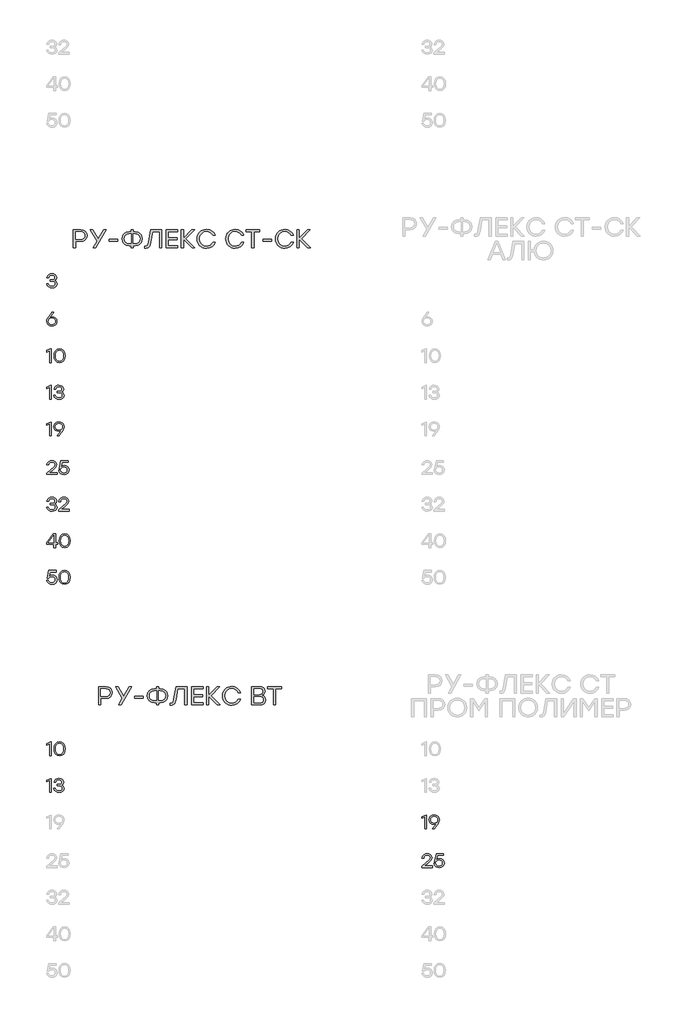
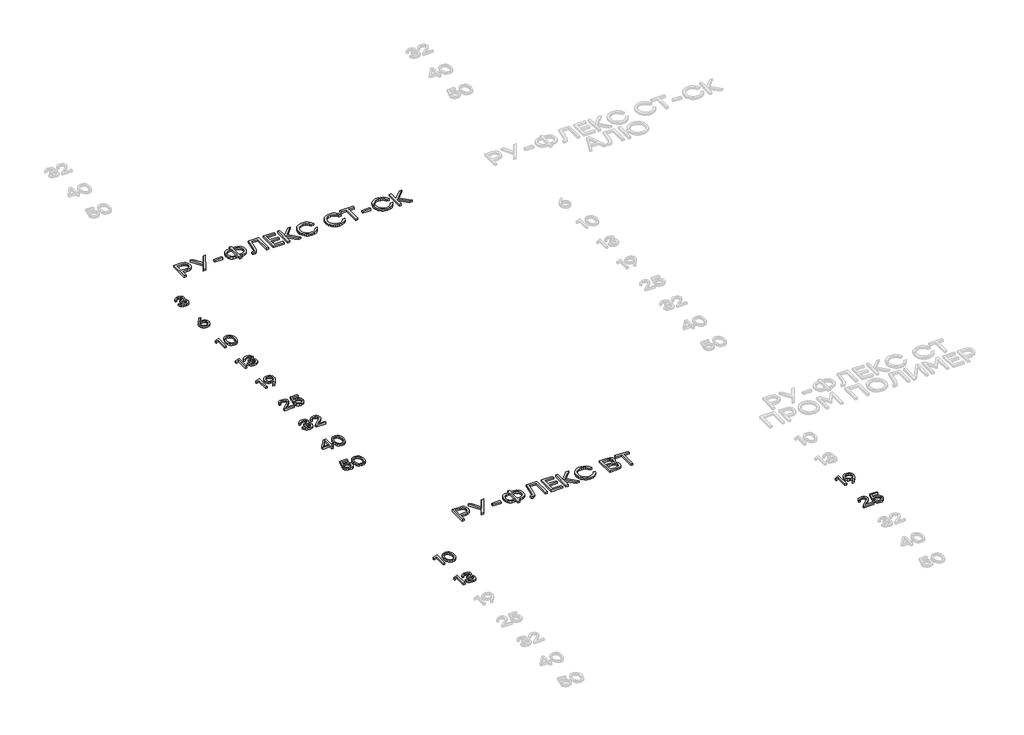
# One storey, part 20 of 41: 15 proxies.
"""IFC4 building model written with IfcOpenShell, lengths in millimetres."""

from ifc_helpers import new_model, si_unit, origin, origin_with_axes, place, context, project, spatial, polyline, outline, extrude, element, save

model = new_model("IFC4")

# Units and contexts
model_context = context("Model", 3, world=origin())
ifc_project = project(units=[si_unit("LENGTHUNIT", "METRE", prefix="MILLI")], contexts=[model_context])

# Site, building, storey
site = spatial("IfcSite", under=ifc_project)
building = spatial("IfcBuilding", under=site)
storey = spatial("IfcBuildingStorey", under=building, Elevation=0.0)

# Proxies
placement = place(None, origin())
element("IfcBuildingElementProxy", 1, Name="Generic Models", at=placement, inside=storey, context=model_context, shape_type="SweptSolid", body=[
    extrude(outline(polyline([(21490.5956427, -33646.0493279), (21510.2621824, -33649.3976823), (21526.8224173, -33659.4427456), (21538.0777292, -33675.2768314), (21541.8294998, -33695.9922531), (21537.8104659, -33717.5094645), (21525.7533643, -33734.5386707), (21507.6954468, -33745.6275734), (21485.6739651, -33749.3238744), (21463.8340208, -33745.6578297), (21445.8366157, -33734.6596956), (21433.7795141, -33717.4993791), (21429.7604802, -33695.3467872), (21432.3826855, -33677.5006631), (21440.2493013, -33659.5435997), (21482.0432194, -33599.9791981), (21484.3830333, -33596.9939183), (21505.1993091, -33596.9939183), (21462.5178754, -33653.9966269), (21476.5164175, -33648.0361526), (21490.5956427, -33646.0493279)]), holes=[polyline([(21485.6739651, -33732.4207357), (21500.7819017, -33729.8993845), (21513.1062665, -33722.3353308), (21521.3057008, -33710.7068589), (21524.0388455, -33695.9922531), (21521.3057008, -33681.1767932), (21513.1062665, -33669.7298586), (21500.8323287, -33662.4078547), (21485.8756732, -33659.9671867), (21470.5458577, -33662.4330682), (21458.3626886, -33669.8307127), (21450.4053041, -33681.3532878), (21447.7528426, -33696.1939612), (21450.4557311, -33711.0346345), (21458.5643967, -33722.5572097), (21470.7475658, -33729.9548542), (21485.6739651, -33732.4207357)])]), origin_with_axes(), (0.0, 0.0, 1.0), 20.0),
])
element("IfcBuildingElementProxy", 2, Name="Generic Models", at=placement, inside=storey, context=model_context, shape_type="SweptSolid", body=[
    extrude(outline(polyline([(21471.7561063, -33996.9939183), (21479.9051135, -33996.9939183), (21479.9051135, -34146.9840604), (21462.1144592, -34146.9840604), (21462.1144592, -34017.7698524), (21427.6223744, -34031.6877112), (21427.6223744, -34014.1391067), (21471.7561063, -33996.9939183)])), origin_with_axes(), (0.0, 0.0, 1.0), 20.0),
    extrude(outline(polyline([(21570.6334163, -33994.6137627), (21596.1394053, -33999.676636), (21615.2109061, -34014.8652558), (21627.1015985, -34039.266893), (21631.0651626, -34071.9688185), (21627.1015985, -34104.670744), (21615.2109061, -34129.0723813), (21596.1394053, -34144.2610011), (21570.6334163, -34149.3238744), (21545.2787083, -34144.2912573), (21526.1769513, -34129.1934061), (21514.1954903, -34104.8270678), (21510.2016699, -34071.9889893), (21514.1954903, -34039.1458682), (21526.1769513, -34014.7644018), (21545.2787083, -33999.6514225), (21570.6334163, -33994.6137627)]), holes=[polyline([(21539.4493442, -34117.7363861), (21552.8730182, -34128.7496483), (21570.6334163, -34132.4207357), (21588.3938144, -34128.7496483), (21601.8174883, -34117.7363861), (21610.2589722, -34098.9573621), (21613.0728002, -34071.9889893), (21610.2589722, -34045.0206166), (21601.8174883, -34026.2415926), (21588.3938144, -34015.2283304), (21570.6334163, -34011.557243), (21552.8730182, -34015.2283304), (21539.4493442, -34026.2415926), (21531.0078603, -34045.0206166), (21528.1940323, -34071.9889893), (21531.0078603, -34098.9573621), (21539.4493442, -34117.7363861)])]), origin_with_axes(), (0.0, 0.0, 1.0), 20.0),
])
element("IfcBuildingElementProxy", 3, Name="Generic Models", at=placement, inside=storey, context=model_context, shape_type="SweptSolid", body=[
    extrude(outline(polyline([(21471.7561063, -34396.9939183), (21479.9051135, -34396.9939183), (21479.9051135, -34546.9840604), (21462.1144592, -34546.9840604), (21462.1144592, -34417.7698524), (21427.6223744, -34431.6877112), (21427.6223744, -34414.1391067), (21471.7561063, -34396.9939183)])), origin_with_axes(), (0.0, 0.0, 1.0), 20.0),
    extrude(outline(polyline([(21592.942332, -34467.9144858), (21604.1522596, -34473.3807752), (21612.5281884, -34481.6306365), (21617.7473854, -34492.2909095), (21619.4871178, -34504.9884343), (21615.7908169, -34523.2379745), (21604.7019141, -34537.3222425), (21587.6121955, -34546.3234664), (21565.9134468, -34549.3238744), (21544.5273456, -34546.4344058), (21526.6005383, -34537.7660003), (21513.6559211, -34523.5808783), (21507.2163901, -34504.1412603), (21525.2087525, -34504.1412603), (21530.0699176, -34516.5135308), (21538.4408037, -34525.3508668), (21550.3214107, -34530.6532685), (21565.7117387, -34532.4207357), (21580.6230099, -34530.4893806), (21591.9539623, -34524.6953155), (21599.1095571, -34515.5831522), (21601.4947554, -34503.6975024), (21599.4877598, -34492.9162046), (21593.466773, -34484.5352331), (21583.0989768, -34479.1496268), (21568.0515526, -34477.3544248), (21547.2756185, -34477.3544248), (21547.2756185, -34461.7018763), (21562.9281669, -34461.7018763), (21577.6478154, -34460.2546207), (21588.16185, -34455.9128539), (21594.4702708, -34448.6765758), (21596.5730778, -34438.5457866), (21594.2937762, -34427.4064568), (21587.4558717, -34418.8389054), (21576.8661965, -34413.3776586), (21563.3315831, -34411.557243), (21550.4928626, -34413.0851818), (21540.215835, -34417.6689984), (21532.5509273, -34425.7827067), (21527.5485664, -34437.9003207), (21509.556204, -34437.9003207), (21516.2276994, -34418.6977097), (21528.0931783, -34405.2236087), (21544.2449543, -34397.2662242), (21563.7753409, -34394.6137627), (21583.789827, -34397.5334874), (21600.1029695, -34406.2926616), (21610.9498225, -34419.6608659), (21614.5654402, -34436.4076807), (21608.9982966, -34455.690975), (21602.2007337, -34462.9222103), (21592.942332, -34467.9144858)])), origin_with_axes(), (0.0, 0.0, 1.0), 20.0),
])
element("IfcBuildingElementProxy", 4, Name="Generic Models", at=placement, inside=storey, context=model_context, shape_type="SweptSolid", body=[
    extrude(outline(polyline([(21471.7561063, -34796.9939183), (21479.9051135, -34796.9939183), (21479.9051135, -34946.9840604), (21462.1144592, -34946.9840604), (21462.1144592, -34817.7698524), (21427.6223744, -34831.6877112), (21427.6223744, -34814.1391067), (21471.7561063, -34796.9939183)])), origin_with_axes(), (0.0, 0.0, 1.0), 20.0),
    extrude(outline(polyline([(21563.3315831, -34794.6137627), (21585.2017837, -34798.2596366), (21603.2092742, -34809.1972582), (21615.2663758, -34826.3474893), (21619.2854097, -34848.6311915), (21616.6581617, -34866.4722728), (21608.7764177, -34884.4142082), (21567.0026705, -34943.9987805), (21564.6225149, -34946.9840604), (21543.8465808, -34946.9840604), (21586.4876728, -34889.9813517), (21572.5093016, -34895.9418261), (21558.4099055, -34897.9286508), (21538.7484086, -34894.5802964), (21522.2033018, -34884.5352331), (21510.963118, -34868.7011473), (21507.2163901, -34847.9857256), (21511.2354239, -34826.438258), (21523.2925255, -34809.3989663), (21541.3403577, -34798.3100636), (21563.3315831, -34794.6137627)]), holes=[polyline([(21563.129875, -34883.9704504), (21578.5151602, -34881.5096116), (21590.7840553, -34874.1270952), (21598.8170804, -34862.6196482), (21601.4947554, -34847.7840175), (21598.7616106, -34832.9433442), (21590.5621764, -34821.420769), (21578.2932813, -34814.0231245), (21563.3517539, -34811.557243), (21548.4102265, -34814.0735515), (21536.1413314, -34821.6224771), (21527.9418972, -34833.2459063), (21525.2087525, -34847.9857256), (21527.911641, -34862.7961427), (21536.0203066, -34874.2279492), (21548.2034757, -34881.5348251), (21563.129875, -34883.9704504)])]), origin_with_axes(), (0.0, 0.0, 1.0), 20.0),
])
element("IfcBuildingElementProxy", 5, Name="Generic Models", at=placement, inside=storey, context=model_context, shape_type="SweptSolid", body=[
    extrude(outline(polyline([(21542.2732576, -35353.838872), (21542.2732576, -35370.9840604), (21429.7604802, -35370.9840604), (21429.7604802, -35358.1150837), (21473.2487463, -35320.1939612), (21511.9363596, -35284.2092364), (21518.2901647, -35274.2448563), (21520.4080997, -35263.6350103), (21518.1035847, -35252.3595276), (21511.1900396, -35243.3835172), (21500.4188271, -35237.5138116), (21486.54131, -35235.557243), (21472.608323, -35237.6197083), (21461.6707014, -35243.8071042), (21453.7940002, -35253.7462708), (21449.0437744, -35267.064048), (21431.051412, -35267.064048), (21437.2488934, -35247.06469), (21449.4673614, -35231.6844475), (21466.5671655, -35221.8814339), (21487.4086548, -35218.6137627), (21507.9526246, -35221.7755372), (21524.1598704, -35231.2608605), (21534.6890331, -35245.5165804), (21538.198754, -35262.9895444), (21535.6521893, -35277.6285097), (21528.012495, -35290.724408), (21487.812071, -35328.9884343), (21459.0888377, -35353.838872), (21542.2732576, -35353.838872)])), origin_with_axes(), (0.0, 0.0, 1.0), 20.0),
    extrude(outline(polyline([(21623.3599133, -35271.9857256), (21643.2483318, -35275.3592936), (21659.667371, -35285.4799974), (21670.6806332, -35301.1779302), (21674.3517206, -35321.2831849), (21670.4436262, -35341.9834785), (21658.7193429, -35358.6596956), (21641.1556103, -35369.6578297), (21619.7291675, -35373.3238744), (21598.771696, -35370.2730394), (21580.9205293, -35361.1205344), (21567.9002715, -35346.3908005), (21561.435527, -35326.6082787), (21579.4278894, -35326.6082787), (21584.5764886, -35339.3108462), (21593.5676271, -35348.6953155), (21605.5642163, -35354.4893806), (21619.7291675, -35356.4207357), (21634.2168517, -35353.8993845), (21645.9713911, -35346.3353308), (21653.7623664, -35335.0295918), (21656.3593582, -35321.2831849), (21653.7875799, -35307.3401126), (21646.0722452, -35296.4125764), (21634.3933462, -35289.3477502), (21619.9308756, -35286.9928081), (21598.9330625, -35291.8640587), (21584.349567, -35306.4778105), (21567.2043786, -35306.4778105), (21585.4387907, -35220.9939183), (21667.2919371, -35220.9939183), (21667.2919371, -35237.8970569), (21598.9128917, -35237.8970569), (21589.0695365, -35284.6126526), (21604.500206, -35275.1424574), (21623.3599133, -35271.9857256)])), origin_with_axes(), (0.0, 0.0, 1.0), 20.0),
])
element("IfcBuildingElementProxy", 6, Name="Generic Models", at=placement, inside=storey, context=model_context, shape_type="SweptSolid", body=[
    extrude(outline(polyline([(21515.4864221, -35691.9144858), (21526.6963497, -35697.3807752), (21535.0722785, -35705.6306365), (21540.2914755, -35716.2909095), (21542.0312079, -35728.9884343), (21538.334907, -35747.2379745), (21527.2460043, -35761.3222425), (21510.1562856, -35770.3234664), (21488.4575369, -35773.3238744), (21467.0714357, -35770.4344058), (21449.1446285, -35761.7660003), (21436.2000112, -35747.5808783), (21429.7604802, -35728.1412603), (21447.7528426, -35728.1412603), (21452.6140078, -35740.5135308), (21460.9848939, -35749.3508668), (21472.8655009, -35754.6532685), (21488.2558288, -35756.4207357), (21503.1671, -35754.4893806), (21514.4980524, -35748.6953155), (21521.6536472, -35739.5831522), (21524.0388455, -35727.6975024), (21522.0318499, -35716.9162046), (21516.0108632, -35708.5352331), (21505.6430669, -35703.1496268), (21490.5956427, -35701.3544248), (21469.8197086, -35701.3544248), (21469.8197086, -35685.7018763), (21485.472257, -35685.7018763), (21500.1919055, -35684.2546207), (21510.7059402, -35679.9128539), (21517.014361, -35672.6765758), (21519.1171679, -35662.5457866), (21516.8378664, -35651.4064568), (21509.9999618, -35642.8389054), (21499.4102867, -35637.3776586), (21485.8756732, -35635.557243), (21473.0369528, -35637.0851818), (21462.7599251, -35641.6689984), (21455.0950174, -35649.7827067), (21450.0926565, -35661.9003207), (21432.1002941, -35661.9003207), (21438.7717895, -35642.6977097), (21450.6372684, -35629.2236087), (21466.7890444, -35621.2662242), (21486.3194311, -35618.6137627), (21506.3339171, -35621.5334874), (21522.6470596, -35630.2926616), (21533.4939126, -35643.6608659), (21537.1095303, -35660.4076807), (21531.5423868, -35679.690975), (21524.7448238, -35686.9222103), (21515.4864221, -35691.9144858)])), origin_with_axes(), (0.0, 0.0, 1.0), 20.0),
    extrude(outline(polyline([(21673.9483044, -35753.838872), (21673.9483044, -35770.9840604), (21561.435527, -35770.9840604), (21561.435527, -35758.1150837), (21604.923793, -35720.1939612), (21643.6114064, -35684.2092364), (21649.9652115, -35674.2448563), (21652.0831465, -35663.6350103), (21649.7786315, -35652.3595276), (21642.8650864, -35643.3835172), (21632.0938739, -35637.5138116), (21618.2163567, -35635.557243), (21604.2833698, -35637.6197083), (21593.3457482, -35643.8071042), (21585.4690469, -35653.7462708), (21580.7188212, -35667.064048), (21562.7264588, -35667.064048), (21568.9239401, -35647.06469), (21581.1424082, -35631.6844475), (21598.2422123, -35621.8814339), (21619.0837016, -35618.6137627), (21639.6276714, -35621.7755372), (21655.8349171, -35631.2608605), (21666.3640799, -35645.5165804), (21669.8738008, -35662.9895444), (21667.327236, -35677.6285097), (21659.6875418, -35690.724408), (21619.4871178, -35728.9884343), (21590.7638845, -35753.838872), (21673.9483044, -35753.838872)])), origin_with_axes(), (0.0, 0.0, 1.0), 20.0),
])
element("IfcBuildingElementProxy", 7, Name="Generic Models", at=placement, inside=storey, context=model_context, shape_type="SweptSolid", body=[
    extrude(outline(polyline([(21547.8404011, -36118.2575634), (21547.8404011, -36134.9993356), (21525.7735351, -36134.9993356), (21525.7735351, -36170.9840604), (21507.9828808, -36170.9840604), (21507.9828808, -36134.9993356), (21427.6223744, -36134.9993356), (21427.6223744, -36118.2575634), (21499.1884077, -36020.9939183), (21525.7735351, -36020.9939183), (21525.7735351, -36118.2575634), (21547.8404011, -36118.2575634)]), holes=[polyline([(21447.3090848, -36118.0558553), (21507.9828808, -36118.0558553), (21507.9828808, -36037.6953488), (21506.2481912, -36037.6953488), (21447.3090848, -36118.0558553)])]), origin_with_axes(), (0.0, 0.0, 1.0), 20.0),
    extrude(outline(polyline([(21627.4344168, -36018.6137627), (21652.9404059, -36023.676636), (21672.0119066, -36038.8652558), (21683.9025991, -36063.266893), (21687.8661632, -36095.9688185), (21683.9025991, -36128.670744), (21672.0119066, -36153.0723813), (21652.9404059, -36168.2610011), (21627.4344168, -36173.3238744), (21602.0797088, -36168.2912573), (21582.9779519, -36153.1934061), (21570.9964909, -36128.8270678), (21567.0026705, -36095.9889893), (21570.9964909, -36063.1458682), (21582.9779519, -36038.7644018), (21602.0797088, -36023.6514225), (21627.4344168, -36018.6137627)]), holes=[polyline([(21596.2503448, -36141.7363861), (21609.6740188, -36152.7496483), (21627.4344168, -36156.4207357), (21645.1948149, -36152.7496483), (21658.6184889, -36141.7363861), (21667.0599728, -36122.9573621), (21669.8738008, -36095.9889893), (21667.0599728, -36069.0206166), (21658.6184889, -36050.2415926), (21645.1948149, -36039.2283304), (21627.4344168, -36035.557243), (21609.6740188, -36039.2283304), (21596.2503448, -36050.2415926), (21587.8088609, -36069.0206166), (21584.9950329, -36095.9889893), (21587.8088609, -36122.9573621), (21596.2503448, -36141.7363861)])]), origin_with_axes(), (0.0, 0.0, 1.0), 20.0),
])
element("IfcBuildingElementProxy", 8, Name="Generic Models", at=placement, inside=storey, context=model_context, shape_type="SweptSolid", body=[
    extrude(outline(polyline([(21491.6848665, -36471.9857256), (21511.573285, -36475.3592936), (21527.9923242, -36485.4799974), (21539.0055864, -36501.1779302), (21542.6766738, -36521.2831849), (21538.7685794, -36541.9834785), (21527.0442962, -36558.6596956), (21509.4805635, -36569.6578297), (21488.0541207, -36573.3238744), (21467.0966493, -36570.2730394), (21449.2454825, -36561.1205344), (21436.2252248, -36546.3908005), (21429.7604802, -36526.6082787), (21447.7528426, -36526.6082787), (21452.9014418, -36539.3108462), (21461.8925803, -36548.6953155), (21473.8891695, -36554.4893806), (21488.0541207, -36556.4207357), (21502.5418049, -36553.8993845), (21514.2963443, -36546.3353308), (21522.0873196, -36535.0295918), (21524.6843114, -36521.2831849), (21522.1125332, -36507.3401126), (21514.3971984, -36496.4125764), (21502.7182995, -36489.3477502), (21488.2558288, -36486.9928081), (21467.2580157, -36491.8640587), (21452.6745202, -36506.4778105), (21435.5293318, -36506.4778105), (21453.7637439, -36420.9939183), (21535.6168904, -36420.9939183), (21535.6168904, -36437.8970569), (21467.2378449, -36437.8970569), (21457.3944897, -36484.6126526), (21472.8251593, -36475.1424574), (21491.6848665, -36471.9857256)])), origin_with_axes(), (0.0, 0.0, 1.0), 20.0),
    extrude(outline(polyline([(21624.8525532, -36418.6137627), (21650.3585423, -36423.676636), (21669.430043, -36438.8652558), (21681.3207354, -36463.266893), (21685.2842995, -36495.9688185), (21681.3207354, -36528.670744), (21669.430043, -36553.0723813), (21650.3585423, -36568.2610011), (21624.8525532, -36573.3238744), (21599.4978452, -36568.2912573), (21580.3960882, -36553.1934061), (21568.4146272, -36528.8270678), (21564.4208068, -36495.9889893), (21568.4146272, -36463.1458682), (21580.3960882, -36438.7644018), (21599.4978452, -36423.6514225), (21624.8525532, -36418.6137627)]), holes=[polyline([(21593.6684811, -36541.7363861), (21607.0921551, -36552.7496483), (21624.8525532, -36556.4207357), (21642.6129513, -36552.7496483), (21656.0366252, -36541.7363861), (21664.4781092, -36522.9573621), (21667.2919371, -36495.9889893), (21664.4781092, -36469.0206166), (21656.0366252, -36450.2415926), (21642.6129513, -36439.2283304), (21624.8525532, -36435.557243), (21607.0921551, -36439.2283304), (21593.6684811, -36450.2415926), (21585.2269972, -36469.0206166), (21582.4131692, -36495.9889893), (21585.2269972, -36522.9573621), (21593.6684811, -36541.7363861)])]), origin_with_axes(), (0.0, 0.0, 1.0), 20.0),
])
element("IfcBuildingElementProxy", 9, Name="Generic Models", at=placement, inside=storey, context=model_context, shape_type="SweptSolid", body=[
    extrude(outline(polyline([(21515.4864221, -33247.9144858), (21526.6963497, -33253.3807752), (21535.0722785, -33261.6306365), (21540.2914755, -33272.2909095), (21542.0312079, -33284.9884343), (21538.334907, -33303.2379745), (21527.2460043, -33317.3222425), (21510.1562856, -33326.3234664), (21488.4575369, -33329.3238744), (21467.0714357, -33326.4344058), (21449.1446285, -33317.7660003), (21436.2000112, -33303.5808783), (21429.7604802, -33284.1412603), (21447.7528426, -33284.1412603), (21452.6140078, -33296.5135308), (21460.9848939, -33305.3508668), (21472.8655009, -33310.6532685), (21488.2558288, -33312.4207357), (21503.1671, -33310.4893806), (21514.4980524, -33304.6953155), (21521.6536472, -33295.5831522), (21524.0388455, -33283.6975024), (21522.0318499, -33272.9162046), (21516.0108632, -33264.5352331), (21505.6430669, -33259.1496268), (21490.5956427, -33257.3544248), (21469.8197086, -33257.3544248), (21469.8197086, -33241.7018763), (21485.472257, -33241.7018763), (21500.1919055, -33240.2546207), (21510.7059402, -33235.9128539), (21517.014361, -33228.6765758), (21519.1171679, -33218.5457866), (21516.8378664, -33207.4064568), (21509.9999618, -33198.8389054), (21499.4102867, -33193.3776586), (21485.8756732, -33191.557243), (21473.0369528, -33193.0851818), (21462.7599251, -33197.6689984), (21455.0950174, -33205.7827067), (21450.0926565, -33217.9003207), (21432.1002941, -33217.9003207), (21438.7717895, -33198.6977097), (21450.6372684, -33185.2236087), (21466.7890444, -33177.2662242), (21486.3194311, -33174.6137627), (21506.3339171, -33177.5334874), (21522.6470596, -33186.2926616), (21533.4939126, -33199.6608659), (21537.1095303, -33216.4076807), (21531.5423868, -33235.690975), (21524.7448238, -33242.9222103), (21515.4864221, -33247.9144858)])), origin_with_axes(), (0.0, 0.0, 1.0), 20.0),
])
element("IfcBuildingElementProxy", 10, Name="Generic Models", at=placement, inside=storey, context=model_context, shape_type="SweptSolid", body=[
    extrude(outline(polyline([(21801.7095553, -32692.4170326), (21830.7286271, -32696.8815052), (21852.593785, -32710.274923), (21866.3099357, -32730.7281242), (21870.8819859, -32756.3719471), (21866.269594, -32782.405739), (21852.4324185, -32803.2758036), (21830.526919, -32816.9919543), (21801.7095553, -32821.5640046), (21745.12371, -32821.5640046), (21745.12371, -32892.4038888), (21721.4028376, -32892.4038888), (21721.4028376, -32692.4170326), (21801.7095553, -32692.4170326)]), holes=[polyline([(21800.8489341, -32798.9726975), (21820.7171818, -32795.9739705), (21835.1393108, -32786.9777893), (21843.9136131, -32773.4095578), (21846.8383805, -32756.6946801), (21843.9136131, -32740.0470383), (21835.1393108, -32726.680515), (21820.7171818, -32717.8860419), (21800.8489341, -32714.9545509), (21745.12371, -32714.9545509), (21745.12371, -32798.9726975), (21800.8489341, -32798.9726975)])]), origin_with_axes(), (0.0, 0.0, 1.0), 20.0),
    extrude(outline(polyline([(22079.9053649, -32692.4170326), (21966.7874632, -32892.4038888), (21939.9468389, -32892.4038888), (21981.3642351, -32819.8427621), (21908.4803755, -32692.4170326), (21935.3747886, -32692.4170326), (21994.4887087, -32794.4006473), (22053.3336847, -32692.4170326), (22079.9053649, -32692.4170326)])), origin_with_axes(), (0.0, 0.0, 1.0), 20.0),
    extrude(outline(polyline([(22206.4704732, -32794.9923244), (22206.4704732, -32817.5298426), (22113.8461143, -32817.5298426), (22113.8461143, -32794.9923244), (22206.4704732, -32794.9923244)])), origin_with_axes(), (0.0, 0.0, 1.0), 20.0),
    extrude(outline(polyline([(22397.0442847, -32714.9545509), (22428.6922854, -32720.0644893), (22454.4638568, -32735.3943048), (22464.4534504, -32746.4966548), (22471.5888744, -32759.3639506), (22477.2972136, -32790.3933797), (22471.6224924, -32821.4228089), (22464.5290909, -32834.2901047), (22454.5983289, -32845.3924546), (22428.8603755, -32860.7222701), (22397.0442847, -32865.8322086), (22377.3037855, -32865.8322086), (22377.3037855, -32892.4038888), (22353.5829131, -32892.4038888), (22353.5829131, -32865.8322086), (22333.6272585, -32865.8322086), (22301.7708262, -32860.7222701), (22276.0194256, -32845.3924546), (22266.0886635, -32834.2901047), (22258.995262, -32821.4228089), (22253.3205409, -32790.3933797), (22259.0356037, -32759.3639506), (22266.1794322, -32746.4966548), (22276.1807921, -32735.3943048), (22301.9725343, -32720.0644893), (22333.6272585, -32714.9545509), (22353.5829131, -32714.9545509), (22353.5829131, -32692.4170326), (22377.3037855, -32692.4170326), (22377.3037855, -32714.9545509), (22397.0442847, -32714.9545509)]), holes=[polyline([(22397.0442847, -32843.2409016), (22419.649039, -32839.7782459), (22437.7624262, -32829.3902788), (22449.6632041, -32812.7157426), (22453.63013, -32790.3933797), (22449.6632041, -32768.0710168), (22437.7624262, -32751.3964807), (22419.649039, -32741.0085136), (22397.0442847, -32737.5458579), (22377.3037855, -32737.5458579), (22377.3037855, -32843.2409016), (22397.0442847, -32843.2409016)]), polyline([(22333.6272585, -32843.2409016), (22353.5829131, -32843.2409016), (22353.5829131, -32737.5458579), (22333.6272585, -32737.5458579), (22311.2242124, -32741.0085136), (22293.1780612, -32751.3964807), (22281.2772833, -32768.0710168), (22277.3103574, -32790.3933797), (22281.2369417, -32812.7157426), (22293.0166947, -32829.3902788), (22311.0225043, -32839.7782459), (22333.6272585, -32843.2409016)])]), origin_with_axes(), (0.0, 0.0, 1.0), 20.0),
    extrude(outline(polyline([(22566.963187, -32692.4170326), (22687.2350026, -32692.4170326), (22687.2350026, -32892.4038888), (22663.5141302, -32892.4038888), (22663.5141302, -32714.9545509), (22586.9188416, -32714.9545509), (22567.8238082, -32831.2459933), (22560.7236832, -32861.266882), (22550.9341168, -32880.9737632), (22537.7289599, -32891.8861714), (22520.3820634, -32895.5236407), (22504.6757262, -32894.6630195), (22504.6757262, -32872.9861225), (22515.8100132, -32873.5240108), (22526.507266, -32871.2379857), (22534.0713197, -32864.3799103), (22544.37188, -32829.8474838), (22566.963187, -32692.4170326)])), origin_with_axes(), (0.0, 0.0, 1.0), 20.0),
    extrude(outline(polyline([(22863.8237193, -32714.9545509), (22760.6567505, -32714.9545509), (22760.6567505, -32778.4253659), (22856.9387496, -32778.4253659), (22856.9387496, -32800.9628841), (22760.6567505, -32800.9628841), (22760.6567505, -32869.8125818), (22863.8237193, -32869.8125818), (22863.8237193, -32892.4038888), (22736.9358781, -32892.4038888), (22736.9358781, -32692.4170326), (22863.8237193, -32692.4170326), (22863.8237193, -32714.9545509)])), origin_with_axes(), (0.0, 0.0, 1.0), 20.0),
    extrude(outline(polyline([(23050.4709466, -32892.4038888), (23019.9188933, -32892.4038888), (22925.8960249, -32795.2612685), (22925.8960249, -32892.4038888), (22902.1751525, -32892.4038888), (22902.1751525, -32692.4170326), (22925.8960249, -32692.4170326), (22925.8960249, -32786.117168), (23016.7991413, -32692.4170326), (23047.0822505, -32692.4170326), (22952.4677051, -32790.4202741), (23050.4709466, -32892.4038888)])), origin_with_axes(), (0.0, 0.0, 1.0), 20.0),
    extrude(outline(polyline([(23179.5103409, -32895.5236407), (23158.3125006, -32893.6847352), (23138.9871839, -32888.1680187), (23121.5343906, -32878.9734912), (23105.9541209, -32866.1011527), (23093.140614, -32850.4603706), (23083.988109, -32832.9605121), (23078.496606, -32813.6015774), (23076.666105, -32792.3835663), (23078.496606, -32771.1655552), (23083.988109, -32751.8066205), (23093.140614, -32734.306762), (23105.9541209, -32718.6659799), (23121.5343906, -32705.7936414), (23138.9871839, -32696.5991139), (23158.3125006, -32691.0823974), (23179.5103409, -32689.2434919), (23210.9902515, -32693.7819241), (23238.5166833, -32707.3972208), (23260.2608164, -32728.6505307), (23274.3938305, -32756.103003), (23248.9517156, -32756.103003), (23237.487972, -32737.8954853), (23221.3849422, -32723.8297072), (23201.6377193, -32714.833526), (23179.2413968, -32711.8347989), (23148.339716, -32717.5834797), (23123.0858621, -32734.8295222), (23106.2634067, -32760.7221184), (23100.6559215, -32792.4104607), (23106.2634067, -32824.098803), (23123.0858621, -32849.9913993), (23148.339716, -32867.2374417), (23179.2413968, -32872.9861225), (23201.6377193, -32869.9873954), (23221.3849422, -32860.9912142), (23237.487972, -32846.911989), (23248.9517156, -32828.6641296), (23274.3938305, -32828.6641296), (23260.2608164, -32856.1502199), (23238.5166833, -32877.3968063), (23210.9902515, -32890.9919321), (23179.5103409, -32895.5236407)])), origin_with_axes(), (0.0, 0.0, 1.0), 20.0),
    extrude(outline(polyline([(23492.7764652, -32895.5236407), (23471.578625, -32893.6847352), (23452.2533082, -32888.1680187), (23434.800515, -32878.9734912), (23419.2202453, -32866.1011527), (23406.4067383, -32850.4603706), (23397.2542333, -32832.9605121), (23391.7627304, -32813.6015774), (23389.9322294, -32792.3835663), (23391.7627304, -32771.1655552), (23397.2542333, -32751.8066205), (23406.4067383, -32734.306762), (23419.2202453, -32718.6659799), (23434.800515, -32705.7936414), (23452.2533082, -32696.5991139), (23471.578625, -32691.0823974), (23492.7764652, -32689.2434919), (23524.2563758, -32693.7819241), (23551.7828077, -32707.3972208), (23573.5269407, -32728.6505307), (23587.6599548, -32756.103003), (23562.21784, -32756.103003), (23550.7540964, -32737.8954853), (23534.6510665, -32723.8297072), (23514.9038437, -32714.833526), (23492.5075211, -32711.8347989), (23461.6058404, -32717.5834797), (23436.3519865, -32734.8295222), (23419.529531, -32760.7221184), (23413.9220459, -32792.4104607), (23419.529531, -32824.098803), (23436.3519865, -32849.9913993), (23461.6058404, -32867.2374417), (23492.5075211, -32872.9861225), (23514.9038437, -32869.9873954), (23534.6510665, -32860.9912142), (23550.7540964, -32846.911989), (23562.21784, -32828.6641296), (23587.6599548, -32828.6641296), (23573.5269407, -32856.1502199), (23551.7828077, -32877.3968063), (23524.2563758, -32890.9919321), (23492.7764652, -32895.5236407)])), origin_with_axes(), (0.0, 0.0, 1.0), 20.0),
    extrude(outline(polyline([(23762.5812179, -32692.4170326), (23762.5812179, -32714.9545509), (23697.9808376, -32714.9545509), (23697.9808376, -32892.4038888), (23673.991021, -32892.4038888), (23673.991021, -32714.9545509), (23609.7133736, -32714.9545509), (23609.7133736, -32692.4170326), (23762.5812179, -32692.4170326)])), origin_with_axes(), (0.0, 0.0, 1.0), 20.0),
    extrude(outline(polyline([(23889.845581, -32794.9923244), (23889.845581, -32817.5298426), (23797.2212221, -32817.5298426), (23797.2212221, -32794.9923244), (23889.845581, -32794.9923244)])), origin_with_axes(), (0.0, 0.0, 1.0), 20.0),
    extrude(outline(polyline([(24036.6890768, -32895.5236407), (24015.4912365, -32893.6847352), (23996.1659197, -32888.1680187), (23978.7131265, -32878.9734912), (23963.1328568, -32866.1011527), (23950.3193498, -32850.4603706), (23941.1668449, -32832.9605121), (23935.6753419, -32813.6015774), (23933.8448409, -32792.3835663), (23935.6753419, -32771.1655552), (23941.1668449, -32751.8066205), (23950.3193498, -32734.306762), (23963.1328568, -32718.6659799), (23978.7131265, -32705.7936414), (23996.1659197, -32696.5991139), (24015.4912365, -32691.0823974), (24036.6890768, -32689.2434919), (24068.1689873, -32693.7819241), (24095.6954192, -32707.3972208), (24117.4395522, -32728.6505307), (24131.5725663, -32756.103003), (24106.1304515, -32756.103003), (24094.6667079, -32737.8954853), (24078.563678, -32723.8297072), (24058.8164552, -32714.833526), (24036.4201326, -32711.8347989), (24005.5184519, -32717.5834797), (23980.264598, -32734.8295222), (23963.4421425, -32760.7221184), (23957.8346574, -32792.4104607), (23963.4421425, -32824.098803), (23980.264598, -32849.9913993), (24005.5184519, -32867.2374417), (24036.4201326, -32872.9861225), (24058.8164552, -32869.9873954), (24078.563678, -32860.9912142), (24094.6667079, -32846.911989), (24106.1304515, -32828.6641296), (24131.5725663, -32828.6641296), (24117.4395522, -32856.1502199), (24095.6954192, -32877.3968063), (24068.1689873, -32890.9919321), (24036.6890768, -32895.5236407)])), origin_with_axes(), (0.0, 0.0, 1.0), 20.0),
    extrude(outline(polyline([(24317.3053836, -32892.4038888), (24286.7533302, -32892.4038888), (24192.7304618, -32795.2612685), (24192.7304618, -32892.4038888), (24169.0095895, -32892.4038888), (24169.0095895, -32692.4170326), (24192.7304618, -32692.4170326), (24192.7304618, -32786.117168), (24283.6335783, -32692.4170326), (24313.9166875, -32692.4170326), (24219.302142, -32790.4202741), (24317.3053836, -32892.4038888)])), origin_with_axes(), (0.0, 0.0, 1.0), 20.0),
])
element("IfcBuildingElementProxy", 11, Name="Generic Models", at=placement, inside=storey, context=model_context, shape_type="SweptSolid", body=[
    extrude(outline(polyline([(21471.7561063, -38296.9939183), (21479.9051135, -38296.9939183), (21479.9051135, -38446.9840604), (21462.1144592, -38446.9840604), (21462.1144592, -38317.7698524), (21427.6223744, -38331.6877112), (21427.6223744, -38314.1391067), (21471.7561063, -38296.9939183)])), origin_with_axes(), (0.0, 0.0, 1.0), 20.0),
    extrude(outline(polyline([(21570.6334163, -38294.6137627), (21596.1394053, -38299.676636), (21615.2109061, -38314.8652558), (21627.1015985, -38339.266893), (21631.0651626, -38371.9688185), (21627.1015985, -38404.670744), (21615.2109061, -38429.0723813), (21596.1394053, -38444.2610011), (21570.6334163, -38449.3238744), (21545.2787083, -38444.2912573), (21526.1769513, -38429.1934061), (21514.1954903, -38404.8270678), (21510.2016699, -38371.9889893), (21514.1954903, -38339.1458682), (21526.1769513, -38314.7644018), (21545.2787083, -38299.6514225), (21570.6334163, -38294.6137627)]), holes=[polyline([(21539.4493442, -38417.7363861), (21552.8730182, -38428.7496483), (21570.6334163, -38432.4207357), (21588.3938144, -38428.7496483), (21601.8174883, -38417.7363861), (21610.2589722, -38398.9573621), (21613.0728002, -38371.9889893), (21610.2589722, -38345.0206166), (21601.8174883, -38326.2415926), (21588.3938144, -38315.2283304), (21570.6334163, -38311.557243), (21552.8730182, -38315.2283304), (21539.4493442, -38326.2415926), (21531.0078603, -38345.0206166), (21528.1940323, -38371.9889893), (21531.0078603, -38398.9573621), (21539.4493442, -38417.7363861)])]), origin_with_axes(), (0.0, 0.0, 1.0), 20.0),
])
element("IfcBuildingElementProxy", 12, Name="Generic Models", at=placement, inside=storey, context=model_context, shape_type="SweptSolid", body=[
    extrude(outline(polyline([(21471.7561063, -38696.9939183), (21479.9051135, -38696.9939183), (21479.9051135, -38846.9840604), (21462.1144592, -38846.9840604), (21462.1144592, -38717.7698524), (21427.6223744, -38731.6877112), (21427.6223744, -38714.1391067), (21471.7561063, -38696.9939183)])), origin_with_axes(), (0.0, 0.0, 1.0), 20.0),
    extrude(outline(polyline([(21592.942332, -38767.9144858), (21604.1522596, -38773.3807752), (21612.5281884, -38781.6306365), (21617.7473854, -38792.2909095), (21619.4871178, -38804.9884343), (21615.7908169, -38823.2379745), (21604.7019141, -38837.3222425), (21587.6121955, -38846.3234664), (21565.9134468, -38849.3238744), (21544.5273456, -38846.4344058), (21526.6005383, -38837.7660003), (21513.6559211, -38823.5808783), (21507.2163901, -38804.1412603), (21525.2087525, -38804.1412603), (21530.0699176, -38816.5135308), (21538.4408037, -38825.3508668), (21550.3214107, -38830.6532685), (21565.7117387, -38832.4207357), (21580.6230099, -38830.4893806), (21591.9539623, -38824.6953155), (21599.1095571, -38815.5831522), (21601.4947554, -38803.6975024), (21599.4877598, -38792.9162046), (21593.466773, -38784.5352331), (21583.0989768, -38779.1496268), (21568.0515526, -38777.3544248), (21547.2756185, -38777.3544248), (21547.2756185, -38761.7018763), (21562.9281669, -38761.7018763), (21577.6478154, -38760.2546207), (21588.16185, -38755.9128539), (21594.4702708, -38748.6765758), (21596.5730778, -38738.5457866), (21594.2937762, -38727.4064568), (21587.4558717, -38718.8389054), (21576.8661965, -38713.3776586), (21563.3315831, -38711.557243), (21550.4928626, -38713.0851818), (21540.215835, -38717.6689984), (21532.5509273, -38725.7827067), (21527.5485664, -38737.9003207), (21509.556204, -38737.9003207), (21516.2276994, -38718.6977097), (21528.0931783, -38705.2236087), (21544.2449543, -38697.2662242), (21563.7753409, -38694.6137627), (21583.789827, -38697.5334874), (21600.1029695, -38706.2926616), (21610.9498225, -38719.6608659), (21614.5654402, -38736.4076807), (21608.9982966, -38755.690975), (21602.2007337, -38762.9222103), (21592.942332, -38767.9144858)])), origin_with_axes(), (0.0, 0.0, 1.0), 20.0),
])
element("IfcBuildingElementProxy", 13, Name="Generic Models", at=placement, inside=storey, context=model_context, shape_type="SweptSolid", body=[
    extrude(outline(polyline([(22078.8295884, -37692.4170326), (22107.8486602, -37696.8815052), (22129.713818, -37710.274923), (22143.4299687, -37730.7281242), (22148.002019, -37756.3719471), (22143.3896271, -37782.405739), (22129.5524516, -37803.2758036), (22107.6469521, -37816.9919543), (22078.8295884, -37821.5640046), (22022.2437431, -37821.5640046), (22022.2437431, -37892.4038888), (21998.5228707, -37892.4038888), (21998.5228707, -37692.4170326), (22078.8295884, -37692.4170326)]), holes=[polyline([(22077.9689671, -37798.9726975), (22097.8372149, -37795.9739705), (22112.2593439, -37786.9777893), (22121.0336462, -37773.4095578), (22123.9584136, -37756.6946801), (22121.0336462, -37740.0470383), (22112.2593439, -37726.680515), (22097.8372149, -37717.8860419), (22077.9689671, -37714.9545509), (22022.2437431, -37714.9545509), (22022.2437431, -37798.9726975), (22077.9689671, -37798.9726975)])]), origin_with_axes(), (0.0, 0.0, 1.0), 20.0),
    extrude(outline(polyline([(22357.025398, -37692.4170326), (22243.9074963, -37892.4038888), (22217.0668719, -37892.4038888), (22258.4842682, -37819.8427621), (22185.6004086, -37692.4170326), (22212.4948217, -37692.4170326), (22271.6087418, -37794.4006473), (22330.4537178, -37692.4170326), (22357.025398, -37692.4170326)])), origin_with_axes(), (0.0, 0.0, 1.0), 20.0),
    extrude(outline(polyline([(22483.5905063, -37794.9923244), (22483.5905063, -37817.5298426), (22390.9661474, -37817.5298426), (22390.9661474, -37794.9923244), (22483.5905063, -37794.9923244)])), origin_with_axes(), (0.0, 0.0, 1.0), 20.0),
    extrude(outline(polyline([(22674.1643178, -37714.9545509), (22705.8123185, -37720.0644893), (22731.5838899, -37735.3943048), (22741.5734835, -37746.4966548), (22748.7089075, -37759.3639506), (22754.4172467, -37790.3933797), (22748.7425255, -37821.4228089), (22741.649124, -37834.2901047), (22731.718362, -37845.3924546), (22705.9804086, -37860.7222701), (22674.1643178, -37865.8322086), (22654.4238186, -37865.8322086), (22654.4238186, -37892.4038888), (22630.7029462, -37892.4038888), (22630.7029462, -37865.8322086), (22610.7472916, -37865.8322086), (22578.8908592, -37860.7222701), (22553.1394587, -37845.3924546), (22543.2086966, -37834.2901047), (22536.1152951, -37821.4228089), (22530.440574, -37790.3933797), (22536.1556368, -37759.3639506), (22543.2994652, -37746.4966548), (22553.3008251, -37735.3943048), (22579.0925673, -37720.0644893), (22610.7472916, -37714.9545509), (22630.7029462, -37714.9545509), (22630.7029462, -37692.4170326), (22654.4238186, -37692.4170326), (22654.4238186, -37714.9545509), (22674.1643178, -37714.9545509)]), holes=[polyline([(22674.1643178, -37843.2409016), (22696.7690721, -37839.7782459), (22714.8824593, -37829.3902788), (22726.7832371, -37812.7157426), (22730.7501631, -37790.3933797), (22726.7832371, -37768.0710168), (22714.8824593, -37751.3964807), (22696.7690721, -37741.0085136), (22674.1643178, -37737.5458579), (22654.4238186, -37737.5458579), (22654.4238186, -37843.2409016), (22674.1643178, -37843.2409016)]), polyline([(22610.7472916, -37843.2409016), (22630.7029462, -37843.2409016), (22630.7029462, -37737.5458579), (22610.7472916, -37737.5458579), (22588.3442455, -37741.0085136), (22570.2980942, -37751.3964807), (22558.3973164, -37768.0710168), (22554.4303905, -37790.3933797), (22558.3569748, -37812.7157426), (22570.1367278, -37829.3902788), (22588.1425374, -37839.7782459), (22610.7472916, -37843.2409016)])]), origin_with_axes(), (0.0, 0.0, 1.0), 20.0),
    extrude(outline(polyline([(22844.0832201, -37692.4170326), (22964.3550357, -37692.4170326), (22964.3550357, -37892.4038888), (22940.6341633, -37892.4038888), (22940.6341633, -37714.9545509), (22864.0388747, -37714.9545509), (22844.9438413, -37831.2459933), (22837.8437162, -37861.266882), (22828.0541499, -37880.9737632), (22814.848993, -37891.8861714), (22797.5020965, -37895.5236407), (22781.7957592, -37894.6630195), (22781.7957592, -37872.9861225), (22792.9300463, -37873.5240108), (22803.6272991, -37871.2379857), (22811.1913528, -37864.3799103), (22821.4919131, -37829.8474838), (22844.0832201, -37692.4170326)])), origin_with_axes(), (0.0, 0.0, 1.0), 20.0),
    extrude(outline(polyline([(23140.9437524, -37714.9545509), (23037.7767836, -37714.9545509), (23037.7767836, -37778.4253659), (23134.0587827, -37778.4253659), (23134.0587827, -37800.9628841), (23037.7767836, -37800.9628841), (23037.7767836, -37869.8125818), (23140.9437524, -37869.8125818), (23140.9437524, -37892.4038888), (23014.0559112, -37892.4038888), (23014.0559112, -37692.4170326), (23140.9437524, -37692.4170326), (23140.9437524, -37714.9545509)])), origin_with_axes(), (0.0, 0.0, 1.0), 20.0),
    extrude(outline(polyline([(23327.5909797, -37892.4038888), (23297.0389263, -37892.4038888), (23203.016058, -37795.2612685), (23203.016058, -37892.4038888), (23179.2951856, -37892.4038888), (23179.2951856, -37692.4170326), (23203.016058, -37692.4170326), (23203.016058, -37786.117168), (23293.9191744, -37692.4170326), (23324.2022836, -37692.4170326), (23229.5877382, -37790.4202741), (23327.5909797, -37892.4038888)])), origin_with_axes(), (0.0, 0.0, 1.0), 20.0),
    extrude(outline(polyline([(23456.630374, -37895.5236407), (23435.4325337, -37893.6847352), (23416.107217, -37888.1680187), (23398.6544237, -37878.9734912), (23383.074154, -37866.1011527), (23370.260647, -37850.4603706), (23361.1081421, -37832.9605121), (23355.6166391, -37813.6015774), (23353.7861381, -37792.3835663), (23355.6166391, -37771.1655552), (23361.1081421, -37751.8066205), (23370.260647, -37734.306762), (23383.074154, -37718.6659799), (23398.6544237, -37705.7936414), (23416.107217, -37696.5991139), (23435.4325337, -37691.0823974), (23456.630374, -37689.2434919), (23488.1102846, -37693.7819241), (23515.6367164, -37707.3972208), (23537.3808494, -37728.6505307), (23551.5138636, -37756.103003), (23526.0717487, -37756.103003), (23514.6080051, -37737.8954853), (23498.5049752, -37723.8297072), (23478.7577524, -37714.833526), (23456.3614298, -37711.8347989), (23425.4597491, -37717.5834797), (23400.2058952, -37734.8295222), (23383.3834398, -37760.7221184), (23377.7759546, -37792.4104607), (23383.3834398, -37824.098803), (23400.2058952, -37849.9913993), (23425.4597491, -37867.2374417), (23456.3614298, -37872.9861225), (23478.7577524, -37869.9873954), (23498.5049752, -37860.9912142), (23514.6080051, -37846.911989), (23526.0717487, -37828.6641296), (23551.5138636, -37828.6641296), (23537.3808494, -37856.1502199), (23515.6367164, -37877.3968063), (23488.1102846, -37890.9919321), (23456.630374, -37895.5236407)])), origin_with_axes(), (0.0, 0.0, 1.0), 20.0),
    extrude(outline(polyline([(23789.9059417, -37786.117168), (23805.0374109, -37792.9449872), (23815.8456032, -37803.692667), (23822.3305186, -37818.3602076), (23824.492157, -37836.9476089), (23820.3100758, -37860.1507638), (23807.763832, -37877.6926448), (23787.2165004, -37888.7260778), (23759.0311554, -37892.4038888), (23675.0130087, -37892.4038888), (23675.0130087, -37692.4170326), (23757.6326459, -37692.4170326), (23783.9286584, -37695.7384927), (23802.8959433, -37705.7028727), (23814.3731341, -37721.731943), (23818.1988643, -37743.2474735), (23816.4305567, -37757.6057283), (23811.1256337, -37769.5367623), (23802.2840954, -37779.0405756), (23789.9059417, -37786.117168)]), holes=[polyline([(23758.7622113, -37869.8125818), (23777.1411809, -37867.6543051), (23790.2690163, -37861.1794751), (23798.1457175, -37850.3880919), (23800.7712846, -37835.2801553), (23798.2701042, -37819.9570634), (23790.7665629, -37808.8429472), (23777.6151949, -37802.0857258), (23758.1705342, -37799.8333187), (23698.7338811, -37799.8333187), (23698.7338811, -37869.8125818), (23758.7622113, -37869.8125818)]), polyline([(23794.2090478, -37746.6899584), (23791.9230227, -37732.9065716), (23785.0649473, -37722.969086), (23772.9221198, -37716.9581846), (23754.7818381, -37714.9545509), (23698.7338811, -37714.9545509), (23698.7338811, -37778.1026329), (23754.190161, -37778.1026329), (23772.7742005, -37776.1057227), (23785.0649473, -37770.1149922), (23791.9230227, -37760.2649134), (23794.2090478, -37746.6899584)])]), origin_with_axes(), (0.0, 0.0, 1.0), 20.0),
    extrude(outline(polyline([(24001.8339173, -37692.4170326), (24001.8339173, -37714.9545509), (23937.2335369, -37714.9545509), (23937.2335369, -37892.4038888), (23913.2437204, -37892.4038888), (23913.2437204, -37714.9545509), (23848.966073, -37714.9545509), (23848.966073, -37692.4170326), (24001.8339173, -37692.4170326)])), origin_with_axes(), (0.0, 0.0, 1.0), 20.0),
])
element("IfcBuildingElementProxy", 14, Name="Generic Models", at=placement, inside=storey, context=model_context, shape_type="SweptSolid", body=[
    extrude(outline(polyline([(25580.1846042, -39096.9939183), (25588.3336114, -39096.9939183), (25588.3336114, -39246.9840604), (25570.5429571, -39246.9840604), (25570.5429571, -39117.7698524), (25536.0508722, -39131.6877112), (25536.0508722, -39114.1391067), (25580.1846042, -39096.9939183)])), origin_with_axes(), (0.0, 0.0, 1.0), 20.0),
    extrude(outline(polyline([(25671.760081, -39094.6137627), (25693.6302816, -39098.2596366), (25711.6377721, -39109.1972582), (25723.6948737, -39126.3474893), (25727.7139076, -39148.6311915), (25725.0866596, -39166.4722728), (25717.2049156, -39184.4142082), (25675.4311684, -39243.9987805), (25673.0510128, -39246.9840604), (25652.2750787, -39246.9840604), (25694.9161707, -39189.9813517), (25680.9377995, -39195.9418261), (25666.8384034, -39197.9286508), (25647.1769065, -39194.5802964), (25630.6317997, -39184.5352331), (25619.3916159, -39168.7011473), (25615.644888, -39147.9857256), (25619.6639218, -39126.438258), (25631.7210234, -39109.3989663), (25649.7688555, -39098.3100636), (25671.760081, -39094.6137627)]), holes=[polyline([(25671.5583729, -39183.9704504), (25686.9436581, -39181.5096116), (25699.2125532, -39174.1270952), (25707.2455782, -39162.6196482), (25709.9232533, -39147.7840175), (25707.1901085, -39132.9433442), (25698.9906743, -39121.420769), (25686.7217792, -39114.0231245), (25671.7802518, -39111.557243), (25656.8387244, -39114.0735515), (25644.5698293, -39121.6224771), (25636.3703951, -39133.2459063), (25633.6372504, -39147.9857256), (25636.3401389, -39162.7961427), (25644.4488044, -39174.2279492), (25656.6319736, -39181.5348251), (25671.5583729, -39183.9704504)])]), origin_with_axes(), (0.0, 0.0, 1.0), 20.0),
])
element("IfcBuildingElementProxy", 15, Name="Generic Models", at=placement, inside=storey, context=model_context, shape_type="SweptSolid", body=[
    extrude(outline(polyline([(25650.7017555, -39653.838872), (25650.7017555, -39670.9840604), (25538.1889781, -39670.9840604), (25538.1889781, -39658.1150837), (25581.6772442, -39620.1939612), (25620.3648575, -39584.2092364), (25626.7186626, -39574.2448563), (25628.8365976, -39563.6350103), (25626.5320826, -39552.3595276), (25619.6185375, -39543.3835172), (25608.847325, -39537.5138116), (25594.9698079, -39535.557243), (25581.0368209, -39537.6197083), (25570.0991993, -39543.8071042), (25562.222498, -39553.7462708), (25557.4722723, -39567.064048), (25539.4799099, -39567.064048), (25545.6773913, -39547.06469), (25557.8958593, -39531.6844475), (25574.9956634, -39521.8814339), (25595.8371527, -39518.6137627), (25616.3811225, -39521.7755372), (25632.5883682, -39531.2608605), (25643.117531, -39545.5165804), (25646.6272519, -39562.9895444), (25644.0806872, -39577.6285097), (25636.4409929, -39590.724408), (25596.2405689, -39628.9884343), (25567.5173356, -39653.838872), (25650.7017555, -39653.838872)])), origin_with_axes(), (0.0, 0.0, 1.0), 20.0),
    extrude(outline(polyline([(25731.7884111, -39571.9857256), (25751.6768297, -39575.3592936), (25768.0958689, -39585.4799974), (25779.1091311, -39601.1779302), (25782.7802185, -39621.2831849), (25778.8721241, -39641.9834785), (25767.1478408, -39658.6596956), (25749.5841081, -39669.6578297), (25728.1576654, -39673.3238744), (25707.2001939, -39670.2730394), (25689.3490272, -39661.1205344), (25676.3287694, -39646.3908005), (25669.8640249, -39626.6082787), (25687.8563873, -39626.6082787), (25693.0049865, -39639.3108462), (25701.996125, -39648.6953155), (25713.9927141, -39654.4893806), (25728.1576654, -39656.4207357), (25742.6453496, -39653.8993845), (25754.399889, -39646.3353308), (25762.1908643, -39635.0295918), (25764.7878561, -39621.2831849), (25762.2160778, -39607.3401126), (25754.500743, -39596.4125764), (25742.8218441, -39589.3477502), (25728.3593735, -39586.9928081), (25707.3615604, -39591.8640587), (25692.7780649, -39606.4778105), (25675.6328765, -39606.4778105), (25693.8672886, -39520.9939183), (25775.720435, -39520.9939183), (25775.720435, -39537.8970569), (25707.3413896, -39537.8970569), (25697.4980344, -39584.6126526), (25712.9287039, -39575.1424574), (25731.7884111, -39571.9857256)])), origin_with_axes(), (0.0, 0.0, 1.0), 20.0),
])

save(model, "model.ifc")
